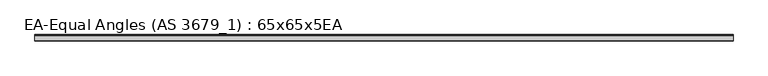
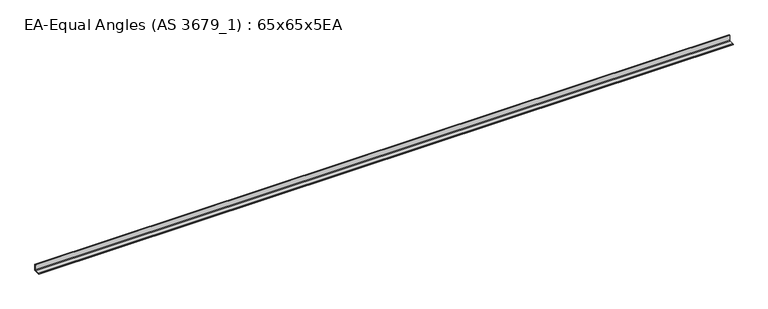
"""IFC4 building model written with IfcOpenShell, lengths in millimetres: beam geometry, EA-Equal Angles (AS 3679_1) : 65x65x5EA."""

from ifc_helpers import new_model, si_unit, point, frame, frame_2d, origin, place, context, project, spatial, polyline, circle_curve, trimmed, segment, composite_curve, outline, extrude, source, transform, mapped, element, save


def ea_equal_angles_as_3679_1_65x65x5ea_285509ab(model_context):
    return source(origin(), model_context, "Body", "SweptSolid", [
        extrude(outline(composite_curve([segment(polyline([(17.7, -17.7), (-47.3, -17.7), (-47.3, -15.7)]), True, "CONTINUOUS"), segment(trimmed(circle_curve(frame_2d((-44.3, -15.7)), 3.0), [point((-47.3, -15.7))], [point((-44.3, -12.7))], False, "CARTESIAN"), True, "CONTINUOUS"), segment(polyline([(-44.3, -12.7), (6.7, -12.7)]), True, "CONTINUOUS"), segment(trimmed(circle_curve(frame_2d((6.7, -6.7)), 6.0), [point((6.7, -12.7))], [point((12.7, -6.7))], True, "CARTESIAN"), True, "CONTINUOUS"), segment(polyline([(12.7, -6.7), (12.7, 44.3)]), True, "CONTINUOUS"), segment(trimmed(circle_curve(frame_2d((15.7, 44.3)), 3.0), [point((12.7, 44.3))], [point((15.7, 47.3))], False, "CARTESIAN"), True, "CONTINUOUS"), segment(polyline([(15.7, 47.3), (17.7, 47.3), (17.7, -17.7)]), True, "CONTINUOUS")], self_intersect=False)), frame((-3597.05, 0.0, 0.0), z_axis=(1.0, 0.0, 0.0), x_axis=(0.0, 1.0, 0.0)), (0.0, 0.0, 1.0), 7135.1),
    ])


if __name__ == "__main__":
    model = new_model("IFC4")
    model_context = context("Model", 3, world=origin())
    ifc_project = project(units=[si_unit("LENGTHUNIT", "METRE", prefix="MILLI")], contexts=[model_context])
    site = spatial("IfcSite", under=ifc_project)
    building = spatial("IfcBuilding", under=site)
    placement = place(None, origin())
    ea_equal_angles_as_3679_1_65x65x5ea_shape = ea_equal_angles_as_3679_1_65x65x5ea_285509ab(model_context)
    element("IfcBeam", 1, ObjectType="EA-Equal Angles (AS 3679_1) : 65x65x5EA", at=placement, inside=building, context=model_context, shape_type="MappedRepresentation", body=[
        mapped(ea_equal_angles_as_3679_1_65x65x5ea_shape, transform((0.0, 0.0, 0.0), x_axis=(1.0, 0.0, 0.0), y_axis=(0.0, 1.0, 0.0), z_axis=(0.0, 0.0, 1.0))),
    ])
    save(model, "model.ifc")
